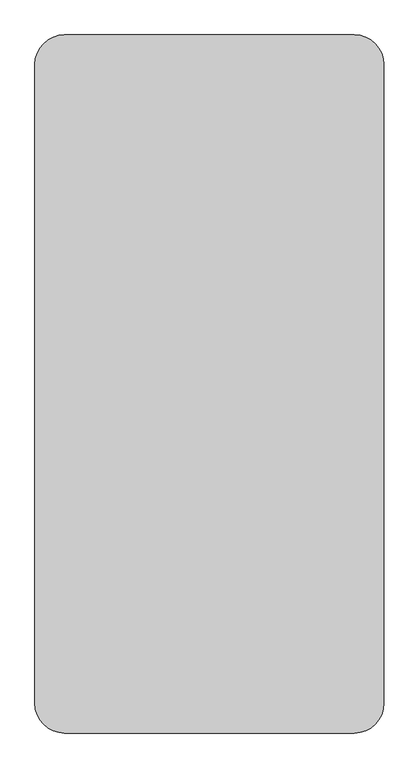
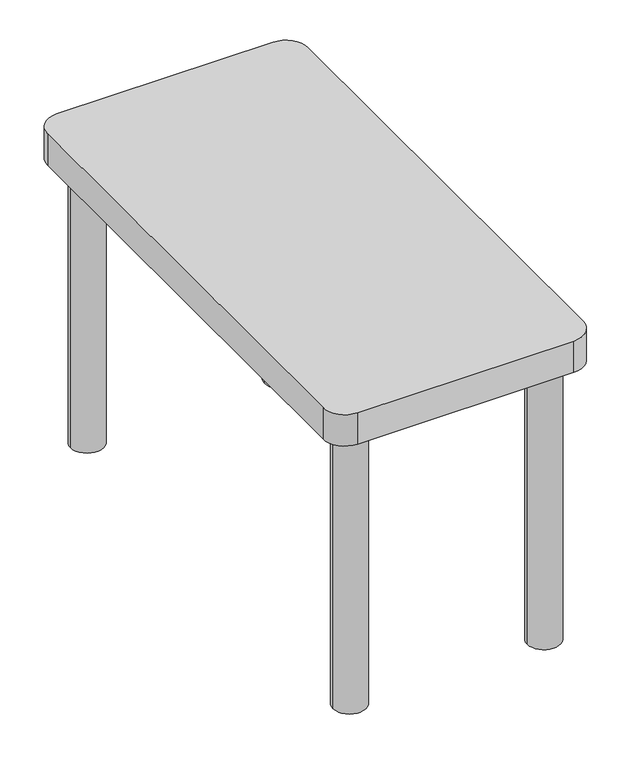
"""IFC4 building model written with IfcOpenShell, lengths in millimetres: furniture geometry."""

from ifc_helpers import new_model, si_unit, point, frame, frame_2d, origin, origin_with_axes, place, context, project, spatial, polyline, circle_curve, trimmed, segment, composite_curve, outline, extrude, source, transform, mapped, element, save


def furniture_1144f3dd(model_context):
    return source(origin(), model_context, "Body", "SweptSolid", [
        extrude(outline(composite_curve([segment(polyline([(552.9336303, -447.6), (54.5336303, -447.6)]), True, "CONTINUOUS"), segment(trimmed(circle_curve(frame_2d((54.5336303, -396.8)), 50.8), [point((54.5336303, -447.6))], [point((3.7336303, -396.8))], False, "CARTESIAN"), True, "CONTINUOUS"), segment(polyline([(3.7336303, -396.8), (3.7336303, 701.6)]), True, "CONTINUOUS"), segment(trimmed(circle_curve(frame_2d((54.5336303, 701.6)), 50.8), [point((3.7336303, 701.6))], [point((54.5336303, 752.4))], False, "CARTESIAN"), True, "CONTINUOUS"), segment(polyline([(54.5336303, 752.4), (552.9336303, 752.4)]), True, "CONTINUOUS"), segment(trimmed(circle_curve(frame_2d((552.9336303, 701.6)), 50.8), [point((552.9336303, 752.4))], [point((603.7336303, 701.6))], False, "CARTESIAN"), True, "CONTINUOUS"), segment(polyline([(603.7336303, 701.6), (603.7336303, -396.8)]), True, "CONTINUOUS"), segment(trimmed(circle_curve(frame_2d((552.9336303, -396.8)), 50.8), [point((603.7336303, -396.8))], [point((552.9336303, -447.6))], False, "CARTESIAN"), True, "CONTINUOUS")], self_intersect=False)), frame((0.0, 0.0, 685.8), z_axis=(0.0, 0.0, 1.0), x_axis=(1.0, 0.0, 0.0)), (0.0, 0.0, 1.0), 76.2),
        extrude(outline(composite_curve([segment(trimmed(circle_curve(frame_2d((79.9336303, 676.2)), 38.1), [point((41.8336303, 676.2))], [point((118.0336303, 676.2))], False, "CARTESIAN"), True, "CONTINUOUS"), segment(trimmed(circle_curve(frame_2d((79.9336303, 676.2)), 38.1), [point((118.0336303, 676.2))], [point((41.8336303, 676.2))], False, "CARTESIAN"), True, "CONTINUOUS")], self_intersect=False)), origin_with_axes(), (0.0, 0.0, 1.0), 685.8),
        extrude(outline(composite_curve([segment(trimmed(circle_curve(frame_2d((79.9336303, -371.4)), 38.1), [point((41.8336303, -371.4))], [point((118.0336303, -371.4))], False, "CARTESIAN"), True, "CONTINUOUS"), segment(trimmed(circle_curve(frame_2d((79.9336303, -371.4)), 38.1), [point((118.0336303, -371.4))], [point((41.8336303, -371.4))], False, "CARTESIAN"), True, "CONTINUOUS")], self_intersect=False)), origin_with_axes(), (0.0, 0.0, 1.0), 685.8),
        extrude(outline(composite_curve([segment(trimmed(circle_curve(frame_2d((527.5336303, -371.4)), 38.1), [point((489.4336303, -371.4))], [point((565.6336303, -371.4))], False, "CARTESIAN"), True, "CONTINUOUS"), segment(trimmed(circle_curve(frame_2d((527.5336303, -371.4)), 38.1), [point((565.6336303, -371.4))], [point((489.4336303, -371.4))], False, "CARTESIAN"), True, "CONTINUOUS")], self_intersect=False)), origin_with_axes(), (0.0, 0.0, 1.0), 685.8),
        extrude(outline(composite_curve([segment(trimmed(circle_curve(frame_2d((527.5336303, 676.2)), 38.1), [point((489.4336303, 676.2))], [point((565.6336303, 676.2))], False, "CARTESIAN"), True, "CONTINUOUS"), segment(trimmed(circle_curve(frame_2d((527.5336303, 676.2)), 38.1), [point((565.6336303, 676.2))], [point((489.4336303, 676.2))], False, "CARTESIAN"), True, "CONTINUOUS")], self_intersect=False)), origin_with_axes(), (0.0, 0.0, 1.0), 685.8),
    ])


if __name__ == "__main__":
    model = new_model("IFC4")
    model_context = context("Model", 3, world=origin())
    ifc_project = project(units=[si_unit("LENGTHUNIT", "METRE", prefix="MILLI")], contexts=[model_context])
    site = spatial("IfcSite", under=ifc_project)
    building = spatial("IfcBuilding", under=site)
    placement = place(None, origin())
    furniture_shape = furniture_1144f3dd(model_context)
    element("IfcFurniture", 1, at=placement, inside=building, context=model_context, shape_type="MappedRepresentation", body=[
        mapped(furniture_shape, transform((0.0, 0.0, 0.0), x_axis=(1.0, 0.0, 0.0), y_axis=(0.0, 1.0, 0.0), z_axis=(0.0, 0.0, 1.0))),
    ])
    save(model, "model.ifc")
